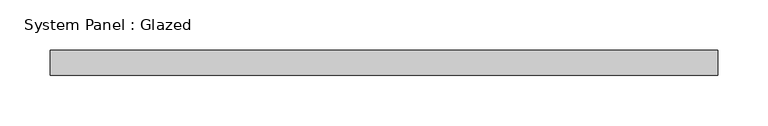
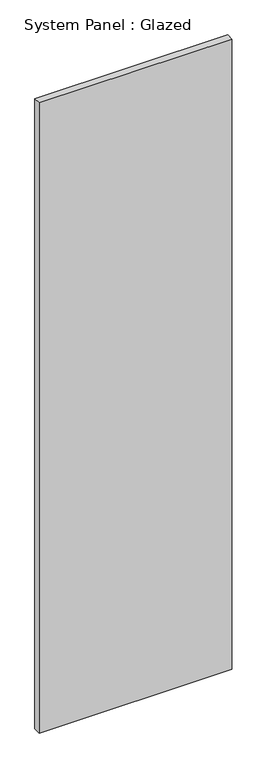
"""IFC4 building model written with IfcOpenShell, lengths in millimetres: plate geometry, System Panel : Glazed."""

from ifc_helpers import new_model, si_unit, origin, origin_with_axes, place, context, project, spatial, polyline, outline, extrude, source, transform, mapped, element, save


def system_panel_glazed_da8bc96a(model_context):
    return source(origin(), model_context, "Body", "SweptSolid", [
        extrude(outline(polyline([(332.5, -49.5), (-332.5, -49.5), (-332.5, -24.5), (332.5, -24.5), (332.5, -49.5)])), origin_with_axes(), (0.0, 0.0, 1.0), 2300.0),
    ])


if __name__ == "__main__":
    model = new_model("IFC4")
    model_context = context("Model", 3, world=origin())
    ifc_project = project(units=[si_unit("LENGTHUNIT", "METRE", prefix="MILLI")], contexts=[model_context])
    site = spatial("IfcSite", under=ifc_project)
    building = spatial("IfcBuilding", under=site)
    placement = place(None, origin())
    system_panel_glazed_shape = system_panel_glazed_da8bc96a(model_context)
    element("IfcPlate", 1, ObjectType="System Panel : Glazed", at=placement, inside=building, context=model_context, shape_type="MappedRepresentation", body=[
        mapped(system_panel_glazed_shape, transform((0.0, 0.0, 0.0), x_axis=(1.0, 0.0, 0.0), y_axis=(0.0, 1.0, 0.0), z_axis=(0.0, 0.0, 1.0))),
    ])
    save(model, "model.ifc")
